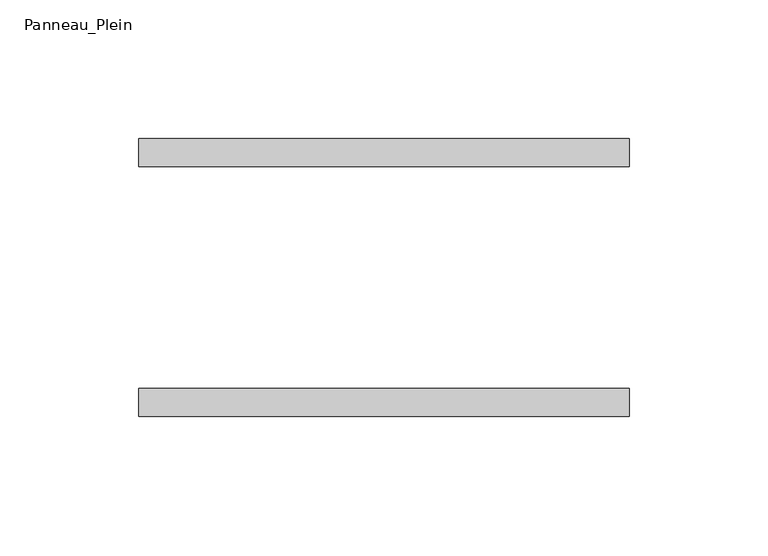
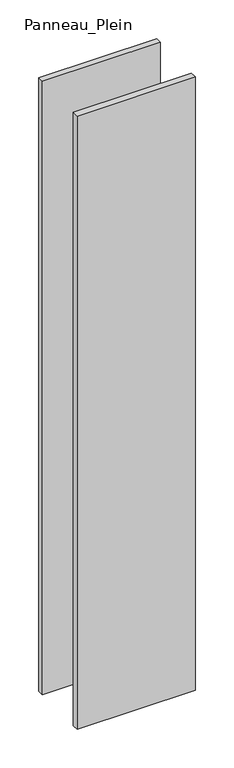
"""IFC4 building model written with IfcOpenShell, lengths in millimetres: plate geometry, Panneau_Plein."""

import ifcopenshell
import ifcopenshell.guid

model = None  # the IFC model being written
_history = None  # IfcOwnerHistory: only IFC2X3 demands one
_inside = {}  # id of a spatial element -> (the spatial element, [elements in it])
_under = {}  # id of a project, library or spatial element -> (it, [spatial elements below it])
_declared = {}  # id of a project -> (the project, [libraries it declares])
_typed = {}  # id of a type object -> (the type object, [elements of that type])
_made_of = {}  # id of a material, layer set ... -> (it, [elements and type objects made of it])


def new_model(schema):
    """Start an empty IFC model of exactly this schema.

    Asked for "IFC4X3", IfcOpenShell would pick the latest addendum, in which some entities
    have other attributes; the version numbers below select the first issue.
    IFC2X3 requires an IfcOwnerHistory on every rooted entity: one is made here for all.
    """
    global model, _history
    if schema == "IFC4X3":
        model = ifcopenshell.file(schema_version=(4, 3, 0, 0))
    else:
        model = ifcopenshell.file(schema=schema)
    _inside.clear()
    _under.clear()
    _declared.clear()
    _typed.clear()
    _made_of.clear()
    _history = None
    if model.schema == "IFC2X3":
        org = make("IfcOrganization", Name="unknown")
        user = make(
            "IfcPersonAndOrganization",
            ThePerson=make("IfcPerson", FamilyName="unknown"),
            TheOrganization=org,
        )
        app = make(
            "IfcApplication",
            ApplicationDeveloper=org,
            Version="unknown",
            ApplicationFullName="unknown",
            ApplicationIdentifier="unknown",
        )
        _history = make(
            "IfcOwnerHistory",
            OwningUser=user,
            OwningApplication=app,
            ChangeAction="ADDED",
            CreationDate=0,
        )
    return model


def make(cls, **values):
    """One entity of the class cls with the attributes given. An attribute that is None is left unset."""
    return model.create_entity(
        cls, **{name: value for name, value in values.items() if value is not None}
    )


def rooted(cls, **values):
    """An entity with a GlobalId (a new one), such as an element, a storey or a relation."""
    return make(cls, GlobalId=ifcopenshell.guid.new(), OwnerHistory=_history, **values)


def si_unit(unit_type, name, prefix=None):
    """IfcSIUnit, for example si_unit("LENGTHUNIT", "METRE", prefix="MILLI")."""
    return make("IfcSIUnit", UnitType=unit_type, Prefix=prefix, Name=name)


def assignment(units):
    """IfcUnitAssignment: the units of a project."""
    return None if units is None else make("IfcUnitAssignment", Units=units)


def point(xyz):
    """IfcCartesianPoint."""
    return None if xyz is None else make("IfcCartesianPoint", Coordinates=xyz)


def direction(xyz):
    """IfcDirection."""
    return None if xyz is None else make("IfcDirection", DirectionRatios=xyz)


def frame(location, z_axis=None, x_axis=None):
    """IfcAxis2Placement3D, a coordinate frame: its origin and axes. An axis left out is left unset."""
    return make(
        "IfcAxis2Placement3D",
        Location=point(location),
        Axis=direction(z_axis),
        RefDirection=direction(x_axis),
    )


def origin():
    """The frame at (0, 0, 0) with its axes left unset."""
    return frame((0.0, 0.0, 0.0))


def origin_with_axes():
    """The frame at (0, 0, 0) with the z axis (0, 0, 1) and the x axis (1, 0, 0) written out."""
    return frame((0.0, 0.0, 0.0), z_axis=(0.0, 0.0, 1.0), x_axis=(1.0, 0.0, 0.0))


def place(relative_to, where):
    """IfcLocalPlacement: puts the frame where relative to a parent placement (None: the world)."""
    return make(
        "IfcLocalPlacement", PlacementRelTo=relative_to, RelativePlacement=where
    )


def context(
    kind, dimensions, precision=None, world=None, true_north=None, identifier=None
):
    """IfcGeometricRepresentationContext, for example the 3D "Model" context."""
    return make(
        "IfcGeometricRepresentationContext",
        ContextIdentifier=identifier,
        ContextType=kind,
        CoordinateSpaceDimension=dimensions,
        Precision=precision,
        WorldCoordinateSystem=world,
        TrueNorth=true_north,
    )


def project(units=None, contexts=None):
    """IfcProject with its units and contexts."""
    return rooted(
        "IfcProject",
        Name="project",
        RepresentationContexts=contexts,
        UnitsInContext=assignment(units),
    )


def spatial(cls, under=None, at=None, **own):
    """A site, building, storey or space (cls), placed at a placement, below another one or the project."""
    s = rooted(cls, ObjectPlacement=at, **own)
    if under is not None:
        _under.setdefault(under.id(), (under, []))[1].append(s)
    return s


def polyline(points):
    """IfcPolyline through the points."""
    return make("IfcPolyline", Points=[point(p) for p in points])


def outline(outer, holes=None, kind="AREA"):
    """IfcArbitraryClosedProfileDef: a profile drawn as a closed curve; with holes, ...WithVoids."""
    if holes is None:
        return make("IfcArbitraryClosedProfileDef", ProfileType=kind, OuterCurve=outer)
    return make(
        "IfcArbitraryProfileDefWithVoids",
        ProfileType=kind,
        OuterCurve=outer,
        InnerCurves=holes,
    )


def extrude(swept, where, along, depth):
    """IfcExtrudedAreaSolid: the profile swept, set in the frame where, extruded along a direction by depth."""
    return make(
        "IfcExtrudedAreaSolid",
        SweptArea=swept,
        Position=where,
        ExtrudedDirection=direction(along),
        Depth=depth,
    )


def shape(context_of_items, identifier, shape_type, items):
    """IfcShapeRepresentation: the items that make up one representation, for example the "Body"."""
    return make(
        "IfcShapeRepresentation",
        ContextOfItems=context_of_items,
        RepresentationIdentifier=identifier,
        RepresentationType=shape_type,
        Items=items,
    )


def source(mapping_origin, context_of_items, identifier, shape_type, items):
    """IfcRepresentationMap: a shape defined once, which mapped items show again and again."""
    return make(
        "IfcRepresentationMap",
        MappingOrigin=mapping_origin,
        MappedRepresentation=shape(context_of_items, identifier, shape_type, items),
    )


def transform(
    local_origin,
    x_axis=None,
    y_axis=None,
    z_axis=None,
    scale=None,
    scale2=None,
    scale3=None,
    uniform=True,
):
    """IfcCartesianTransformationOperator3D, or its non-uniform kind. x_axis, y_axis, z_axis: its Axis1, 2, 3."""
    if uniform:
        return make(
            "IfcCartesianTransformationOperator3D",
            Axis1=direction(x_axis),
            Axis2=direction(y_axis),
            LocalOrigin=point(local_origin),
            Scale=scale,
            Axis3=direction(z_axis),
        )
    return make(
        "IfcCartesianTransformationOperator3DnonUniform",
        Axis1=direction(x_axis),
        Axis2=direction(y_axis),
        LocalOrigin=point(local_origin),
        Scale=scale,
        Axis3=direction(z_axis),
        Scale2=scale2,
        Scale3=scale3,
    )


def mapped(mapping_source, mapping_target):
    """IfcMappedItem: shows the shape of a source again, moved by a transform."""
    return make(
        "IfcMappedItem", MappingSource=mapping_source, MappingTarget=mapping_target
    )


def made_of(thing, what):
    """Note that an element or type object is made of a material, layer set ...; save() writes the relation."""
    if what is not None:
        _made_of.setdefault(what.id(), (what, []))[1].append(thing)
    return thing


def element(
    cls,
    number,
    at=None,
    inside=None,
    cuts=None,
    type_object=None,
    material=None,
    context=None,
    identifier="Body",
    shape_type=None,
    held_by="IfcProductDefinitionShape",
    body=None,
    shapes=None,
    **own,
):
    """One element of the class cls, such as IfcWall. Its Tag is "e" and its number.

    at: its placement. inside: the storey or other place that contains it. cuts: it is an
    opening in that element (IfcRelVoidsElement). A single representation is given by context,
    identifier, shape_type and body (its items); several are given by shapes. held_by: the class
    of the entity that holds the representations. save() writes the other relations.
    """
    e = rooted(cls, Tag="e%d" % number, ObjectPlacement=at, **own)
    if body is not None:
        shapes = [shape(context, identifier, shape_type, body)]
    if shapes is not None:
        e.Representation = make(held_by, Representations=shapes)
    if inside is not None:
        _inside.setdefault(inside.id(), (inside, []))[1].append(e)
    if cuts is not None:
        rooted(
            "IfcRelVoidsElement", RelatingBuildingElement=cuts, RelatedOpeningElement=e
        )
    if type_object is not None:
        _typed.setdefault(type_object.id(), (type_object, []))[1].append(e)
    return made_of(e, material)


def aggregate(whole, parts):
    """IfcRelAggregates: a whole, such as a stair, and the parts it consists of."""
    return rooted("IfcRelAggregates", RelatingObject=whole, RelatedObjects=parts)


def save(model, path):
    """Write the relations noted so far, then the file.

    IfcRelAggregates (storeys below a building ...), IfcRelContainedInSpatialStructure (elements
    in a storey), IfcRelDefinesByType, IfcRelAssociatesMaterial and IfcRelDeclares: one each for
    every whole, place, type object, material and project.
    """
    for whole, parts in _under.values():
        aggregate(whole, parts)
    for where, things in _inside.values():
        rooted(
            "IfcRelContainedInSpatialStructure",
            RelatedElements=things,
            RelatingStructure=where,
        )
    for kind, things in _typed.values():
        rooted("IfcRelDefinesByType", RelatedObjects=things, RelatingType=kind)
    for what, things in _made_of.values():
        rooted("IfcRelAssociatesMaterial", RelatedObjects=things, RelatingMaterial=what)
    for by, libraries in _declared.values():
        rooted("IfcRelDeclares", RelatingContext=by, RelatedDefinitions=libraries)
    model.write(path)


def panneau_plein_9c874e97(model_context):
    return source(origin(), model_context, "Body", "SweptSolid", [
        extrude(outline(polyline([(88.2035739, 50.0), (88.2035739, 40.0), (-88.2035739, 40.0), (-88.2035739, 50.0), (88.2035739, 50.0)])), origin_with_axes(), (0.0, 0.0, 1.0), 969.867499),
        extrude(outline(polyline([(88.2035739, -40.0), (88.2035739, -50.0), (-88.2035739, -50.0), (-88.2035739, -40.0), (88.2035739, -40.0)])), origin_with_axes(), (0.0, 0.0, 1.0), 969.867499),
    ])


if __name__ == "__main__":
    model = new_model("IFC4")
    model_context = context("Model", 3, world=origin())
    ifc_project = project(units=[si_unit("LENGTHUNIT", "METRE", prefix="MILLI")], contexts=[model_context])
    site = spatial("IfcSite", under=ifc_project)
    building = spatial("IfcBuilding", under=site)
    placement = place(None, origin())
    panneau_plein_shape = panneau_plein_9c874e97(model_context)
    element("IfcPlate", 1, ObjectType="Panneau_Plein", at=placement, inside=building, context=model_context, shape_type="MappedRepresentation", body=[
        mapped(panneau_plein_shape, transform((0.0, 0.0, 0.0), x_axis=(1.0, 0.0, 0.0), y_axis=(0.0, 1.0, 0.0), z_axis=(0.0, 0.0, 1.0))),
    ])
    save(model, "model.ifc")
